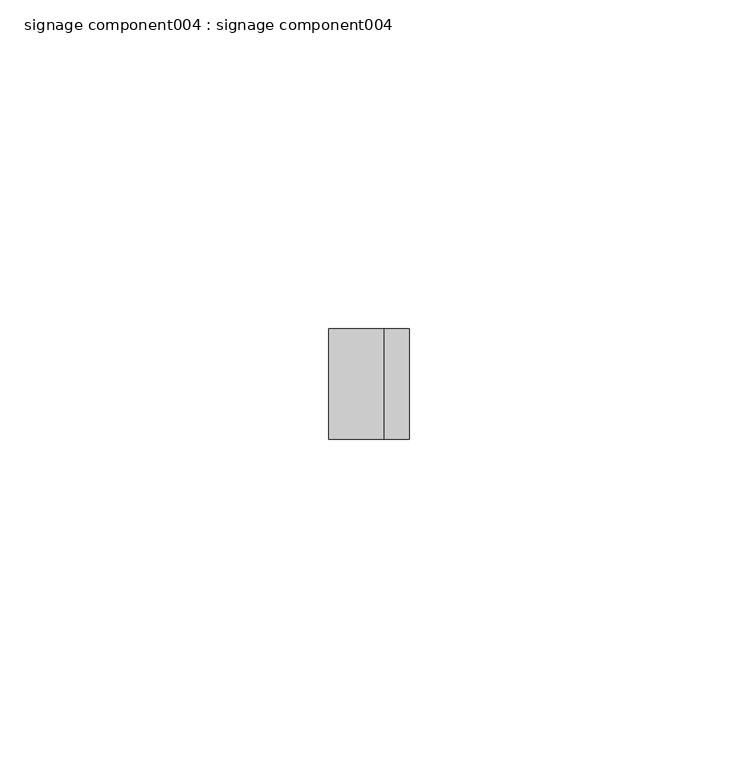
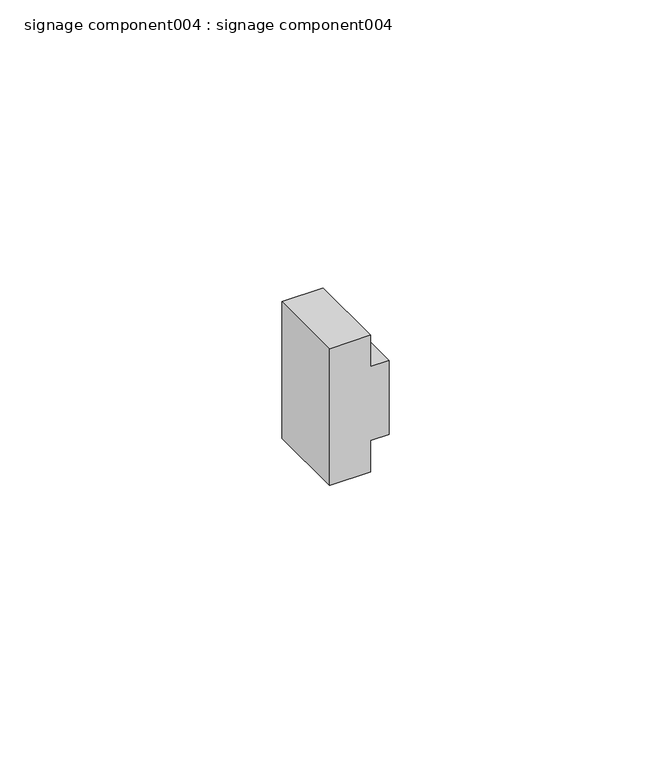
"""IFC4 building model written with IfcOpenShell, lengths in millimetres: proxy geometry, signage component004 : signage component004."""

from ifc_helpers import new_model, si_unit, frame, origin, place, context, project, spatial, polyline, outline, extrude, source, transform, mapped, element, save


def signage_component004_signage_component004_e55034b5(model_context):
    return source(origin(), model_context, "Body", "SweptSolid", [
        extrude(outline(polyline([(3005.2012761, 39578.0638475), (3011.9892498, 39578.0638475), (3011.9892498, 39581.8802193), (3028.0375824, 39581.8802193), (3028.0375824, 39578.0638475), (3034.8255562, 39578.0638475), (3034.8255562, 39569.6543746), (3005.2012761, 39569.6543746), (3005.2012761, 39578.0638475)])), frame((0.0, -25110.0893227, 0.0), z_axis=(0.0, 1.0, 0.0), x_axis=(0.0, 0.0, 1.0)), (0.0, 0.0, 1.0), 16.8334581),
    ])


if __name__ == "__main__":
    model = new_model("IFC4")
    model_context = context("Model", 3, world=origin())
    ifc_project = project(units=[si_unit("LENGTHUNIT", "METRE", prefix="MILLI")], contexts=[model_context])
    site = spatial("IfcSite", under=ifc_project)
    building = spatial("IfcBuilding", under=site)
    placement = place(None, origin())
    signage_component004_signage_component004_shape = signage_component004_signage_component004_e55034b5(model_context)
    element("IfcBuildingElementProxy", 1, Name="signage component004 : signage component004", ObjectType="signage component004 : signage component004", at=placement, inside=building, context=model_context, shape_type="MappedRepresentation", body=[
        mapped(signage_component004_signage_component004_shape, transform((0.0, 0.0, 0.0), x_axis=(1.0, 0.0, 0.0), y_axis=(0.0, 1.0, 0.0), z_axis=(0.0, 0.0, 1.0))),
    ])
    save(model, "model.ifc")
